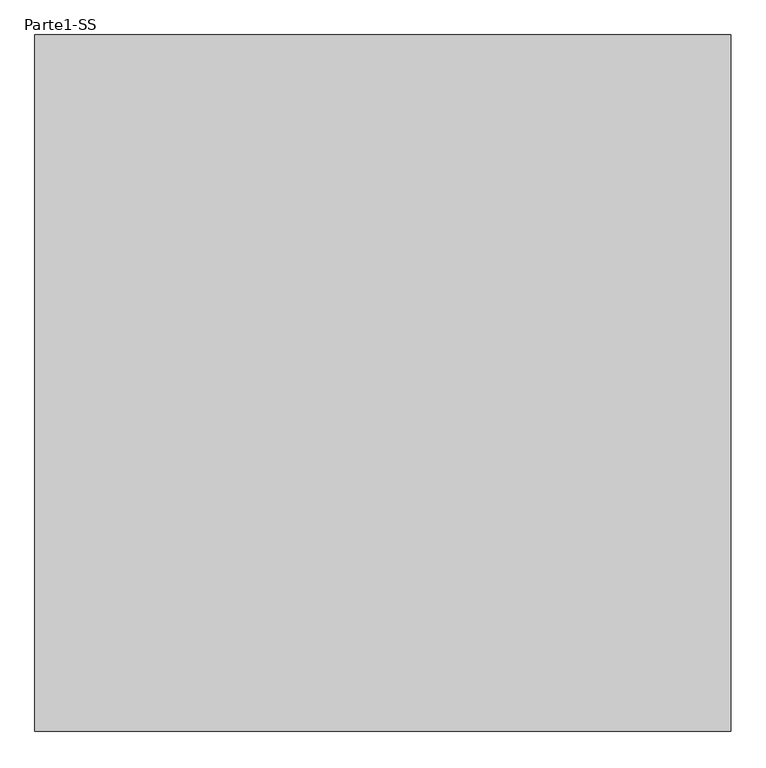
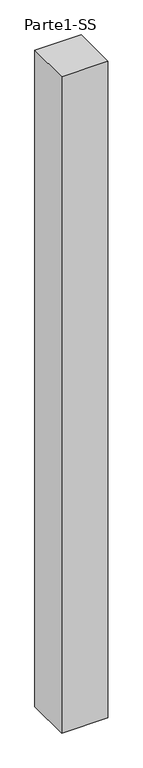
"""IFC4 building model written with IfcOpenShell, lengths in millimetres: proxy geometry, Parte1-SS."""

from ifc_helpers import new_model, si_unit, frame, origin, place, context, project, spatial, polyline, outline, extrude, source, transform, mapped, element, save


def parte1_ss_45081b54(model_context):
    return source(origin(), model_context, "Body", "SweptSolid", [
        extrude(outline(polyline([(4000.0, 4000.0), (4000.0, 0.0), (0.0, 0.0), (0.0, 4000.0), (4000.0, 4000.0)])), frame((0.0, 0.0, 10000.0), z_axis=(0.0, 0.0, 1.0), x_axis=(1.0, 0.0, 0.0)), (0.0, 0.0, 1.0), 60000.0),
    ])


if __name__ == "__main__":
    model = new_model("IFC4")
    model_context = context("Model", 3, world=origin())
    ifc_project = project(units=[si_unit("LENGTHUNIT", "METRE", prefix="MILLI")], contexts=[model_context])
    site = spatial("IfcSite", under=ifc_project)
    building = spatial("IfcBuilding", under=site)
    placement = place(None, origin())
    parte1_ss_shape = parte1_ss_45081b54(model_context)
    element("IfcBuildingElementProxy", 1, Name="Parte1-SS", ObjectType="Parte1-SS", at=placement, inside=building, context=model_context, shape_type="MappedRepresentation", body=[
        mapped(parte1_ss_shape, transform((0.0, 0.0, 0.0), x_axis=(1.0, 0.0, 0.0), y_axis=(0.0, 1.0, 0.0), z_axis=(0.0, 0.0, 1.0))),
    ])
    save(model, "model.ifc")
